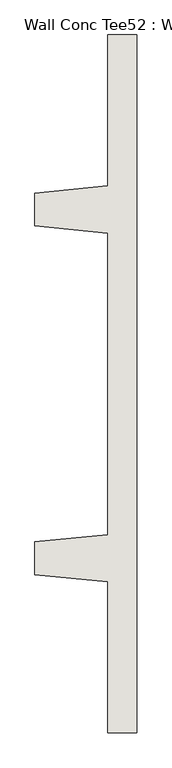
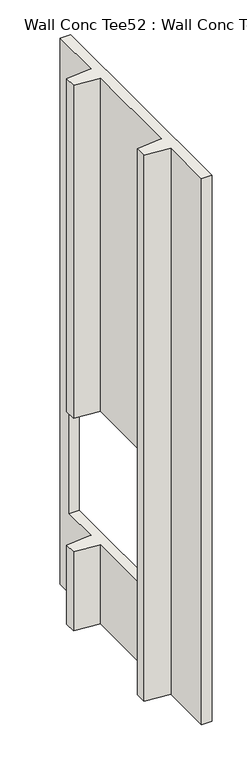
"""IFC4 building model written with IfcOpenShell, lengths in millimetres: wall geometry, Wall Conc Tee52 : Wall Conc Tee."""

import ifcopenshell
import ifcopenshell.guid

model = None  # the IFC model being written
_history = None  # IfcOwnerHistory: only IFC2X3 demands one
_inside = {}  # id of a spatial element -> (the spatial element, [elements in it])
_under = {}  # id of a project, library or spatial element -> (it, [spatial elements below it])
_declared = {}  # id of a project -> (the project, [libraries it declares])
_typed = {}  # id of a type object -> (the type object, [elements of that type])
_made_of = {}  # id of a material, layer set ... -> (it, [elements and type objects made of it])


def new_model(schema):
    """Start an empty IFC model of exactly this schema.

    Asked for "IFC4X3", IfcOpenShell would pick the latest addendum, in which some entities
    have other attributes; the version numbers below select the first issue.
    IFC2X3 requires an IfcOwnerHistory on every rooted entity: one is made here for all.
    """
    global model, _history
    if schema == "IFC4X3":
        model = ifcopenshell.file(schema_version=(4, 3, 0, 0))
    else:
        model = ifcopenshell.file(schema=schema)
    _inside.clear()
    _under.clear()
    _declared.clear()
    _typed.clear()
    _made_of.clear()
    _history = None
    if model.schema == "IFC2X3":
        org = make("IfcOrganization", Name="unknown")
        user = make(
            "IfcPersonAndOrganization",
            ThePerson=make("IfcPerson", FamilyName="unknown"),
            TheOrganization=org,
        )
        app = make(
            "IfcApplication",
            ApplicationDeveloper=org,
            Version="unknown",
            ApplicationFullName="unknown",
            ApplicationIdentifier="unknown",
        )
        _history = make(
            "IfcOwnerHistory",
            OwningUser=user,
            OwningApplication=app,
            ChangeAction="ADDED",
            CreationDate=0,
        )
    return model


def make(cls, **values):
    """One entity of the class cls with the attributes given. An attribute that is None is left unset."""
    return model.create_entity(
        cls, **{name: value for name, value in values.items() if value is not None}
    )


def rooted(cls, **values):
    """An entity with a GlobalId (a new one), such as an element, a storey or a relation."""
    return make(cls, GlobalId=ifcopenshell.guid.new(), OwnerHistory=_history, **values)


def si_unit(unit_type, name, prefix=None):
    """IfcSIUnit, for example si_unit("LENGTHUNIT", "METRE", prefix="MILLI")."""
    return make("IfcSIUnit", UnitType=unit_type, Prefix=prefix, Name=name)


def assignment(units):
    """IfcUnitAssignment: the units of a project."""
    return None if units is None else make("IfcUnitAssignment", Units=units)


def point(xyz):
    """IfcCartesianPoint."""
    return None if xyz is None else make("IfcCartesianPoint", Coordinates=xyz)


def direction(xyz):
    """IfcDirection."""
    return None if xyz is None else make("IfcDirection", DirectionRatios=xyz)


def frame(location, z_axis=None, x_axis=None):
    """IfcAxis2Placement3D, a coordinate frame: its origin and axes. An axis left out is left unset."""
    return make(
        "IfcAxis2Placement3D",
        Location=point(location),
        Axis=direction(z_axis),
        RefDirection=direction(x_axis),
    )


def origin():
    """The frame at (0, 0, 0) with its axes left unset."""
    return frame((0.0, 0.0, 0.0))


def place(relative_to, where):
    """IfcLocalPlacement: puts the frame where relative to a parent placement (None: the world)."""
    return make(
        "IfcLocalPlacement", PlacementRelTo=relative_to, RelativePlacement=where
    )


def context(
    kind, dimensions, precision=None, world=None, true_north=None, identifier=None
):
    """IfcGeometricRepresentationContext, for example the 3D "Model" context."""
    return make(
        "IfcGeometricRepresentationContext",
        ContextIdentifier=identifier,
        ContextType=kind,
        CoordinateSpaceDimension=dimensions,
        Precision=precision,
        WorldCoordinateSystem=world,
        TrueNorth=true_north,
    )


def project(units=None, contexts=None):
    """IfcProject with its units and contexts."""
    return rooted(
        "IfcProject",
        Name="project",
        RepresentationContexts=contexts,
        UnitsInContext=assignment(units),
    )


def spatial(cls, under=None, at=None, **own):
    """A site, building, storey or space (cls), placed at a placement, below another one or the project."""
    s = rooted(cls, ObjectPlacement=at, **own)
    if under is not None:
        _under.setdefault(under.id(), (under, []))[1].append(s)
    return s


def faces_of(points, faces, orient=None, outer=None):
    """IfcFace entities. A face is a list of loops; a loop is a list of indices into points, from 0.

    orient and outer hold one flag for each loop. By default every Orientation is true, the
    first loop of a face is its IfcFaceOuterBound and the others are IfcFaceBound.
    """
    made = []
    for i, loops in enumerate(faces):
        bounds = []
        for j, loop in enumerate(loops):
            is_outer = j == 0 if outer is None else outer[i][j]
            bounds.append(
                make(
                    "IfcFaceOuterBound" if is_outer else "IfcFaceBound",
                    Bound=make("IfcPolyLoop", Polygon=[points[k] for k in loop]),
                    Orientation=True if orient is None else orient[i][j],
                )
            )
        made.append(make("IfcFace", Bounds=bounds))
    return made


def faceted_brep(points, faces, orient=None, outer=None, voids=None):
    """IfcFacetedBrep: a solid bounded by flat faces; with voids (closed shells), ...WithVoids."""
    shared = [point(p) for p in points]
    hull = make("IfcClosedShell", CfsFaces=faces_of(shared, faces, orient, outer))
    if voids is None:
        return make("IfcFacetedBrep", Outer=hull)
    return make(
        "IfcFacetedBrepWithVoids",
        Outer=hull,
        Voids=[
            make(cls, CfsFaces=faces_of(shared, fs, o, b)) for cls, fs, o, b in voids
        ],
    )


def shape(context_of_items, identifier, shape_type, items):
    """IfcShapeRepresentation: the items that make up one representation, for example the "Body"."""
    return make(
        "IfcShapeRepresentation",
        ContextOfItems=context_of_items,
        RepresentationIdentifier=identifier,
        RepresentationType=shape_type,
        Items=items,
    )


def source(mapping_origin, context_of_items, identifier, shape_type, items):
    """IfcRepresentationMap: a shape defined once, which mapped items show again and again."""
    return make(
        "IfcRepresentationMap",
        MappingOrigin=mapping_origin,
        MappedRepresentation=shape(context_of_items, identifier, shape_type, items),
    )


def transform(
    local_origin,
    x_axis=None,
    y_axis=None,
    z_axis=None,
    scale=None,
    scale2=None,
    scale3=None,
    uniform=True,
):
    """IfcCartesianTransformationOperator3D, or its non-uniform kind. x_axis, y_axis, z_axis: its Axis1, 2, 3."""
    if uniform:
        return make(
            "IfcCartesianTransformationOperator3D",
            Axis1=direction(x_axis),
            Axis2=direction(y_axis),
            LocalOrigin=point(local_origin),
            Scale=scale,
            Axis3=direction(z_axis),
        )
    return make(
        "IfcCartesianTransformationOperator3DnonUniform",
        Axis1=direction(x_axis),
        Axis2=direction(y_axis),
        LocalOrigin=point(local_origin),
        Scale=scale,
        Axis3=direction(z_axis),
        Scale2=scale2,
        Scale3=scale3,
    )


def mapped(mapping_source, mapping_target):
    """IfcMappedItem: shows the shape of a source again, moved by a transform."""
    return make(
        "IfcMappedItem", MappingSource=mapping_source, MappingTarget=mapping_target
    )


def made_of(thing, what):
    """Note that an element or type object is made of a material, layer set ...; save() writes the relation."""
    if what is not None:
        _made_of.setdefault(what.id(), (what, []))[1].append(thing)
    return thing


def element(
    cls,
    number,
    at=None,
    inside=None,
    cuts=None,
    type_object=None,
    material=None,
    context=None,
    identifier="Body",
    shape_type=None,
    held_by="IfcProductDefinitionShape",
    body=None,
    shapes=None,
    **own,
):
    """One element of the class cls, such as IfcWall. Its Tag is "e" and its number.

    at: its placement. inside: the storey or other place that contains it. cuts: it is an
    opening in that element (IfcRelVoidsElement). A single representation is given by context,
    identifier, shape_type and body (its items); several are given by shapes. held_by: the class
    of the entity that holds the representations. save() writes the other relations.
    """
    e = rooted(cls, Tag="e%d" % number, ObjectPlacement=at, **own)
    if body is not None:
        shapes = [shape(context, identifier, shape_type, body)]
    if shapes is not None:
        e.Representation = make(held_by, Representations=shapes)
    if inside is not None:
        _inside.setdefault(inside.id(), (inside, []))[1].append(e)
    if cuts is not None:
        rooted(
            "IfcRelVoidsElement", RelatingBuildingElement=cuts, RelatedOpeningElement=e
        )
    if type_object is not None:
        _typed.setdefault(type_object.id(), (type_object, []))[1].append(e)
    return made_of(e, material)


def aggregate(whole, parts):
    """IfcRelAggregates: a whole, such as a stair, and the parts it consists of."""
    return rooted("IfcRelAggregates", RelatingObject=whole, RelatedObjects=parts)


def save(model, path):
    """Write the relations noted so far, then the file.

    IfcRelAggregates (storeys below a building ...), IfcRelContainedInSpatialStructure (elements
    in a storey), IfcRelDefinesByType, IfcRelAssociatesMaterial and IfcRelDeclares: one each for
    every whole, place, type object, material and project.
    """
    for whole, parts in _under.values():
        aggregate(whole, parts)
    for where, things in _inside.values():
        rooted(
            "IfcRelContainedInSpatialStructure",
            RelatedElements=things,
            RelatingStructure=where,
        )
    for kind, things in _typed.values():
        rooted("IfcRelDefinesByType", RelatedObjects=things, RelatingType=kind)
    for what, things in _made_of.values():
        rooted("IfcRelAssociatesMaterial", RelatedObjects=things, RelatingMaterial=what)
    for by, libraries in _declared.values():
        rooted("IfcRelDeclares", RelatingContext=by, RelatedDefinitions=libraries)
    model.write(path)


def wall_conc_tee52_wall_conc_tee_612de9ac(model_context):
    return source(origin(), model_context, "Body", "Brep", [
        faceted_brep([(204051.6728488, 175451.2596581, 5884.1592564), (204051.6728488, 177889.6596581, 5884.1592564), (203950.0728488, 177889.6596581, 5884.1592564), (203950.0728488, 177362.6096581, 5884.1592564), (203696.0728488, 177337.2096581, 5884.1592564), (203696.0728488, 177222.9096581, 5884.1592564), (203950.0728488, 177197.5096581, 5884.1592564), (203950.0728488, 176143.4096581, 5884.1592564), (203696.0728488, 176118.0096581, 5884.1592564), (203696.0728488, 176003.7096581, 5884.1592564), (203950.0728488, 175978.3096581, 5884.1592564), (203950.0728488, 175451.2596581, 5884.1592564), (204051.6728488, 175451.2596581, 143.7592564), (203950.0728488, 175451.2596581, 143.7592564), (203950.0728488, 175978.3096581, 143.7592564), (203696.0728488, 176003.7096581, 143.7592564), (203696.0728488, 176118.0096581, 143.7592564), (203950.0728488, 176143.4096581, 143.7592564), (203950.0728488, 177197.5096581, 143.7592564), (203696.0728488, 177222.9096581, 143.7592564), (203696.0728488, 177337.2096581, 143.7592564), (203950.0728488, 177362.6096581, 143.7592564), (203950.0728488, 177889.6596581, 143.7592564), (204051.6728488, 177889.6596581, 143.7592564), (204051.6728488, 176213.2596581, 2379.1693292), (204051.6728488, 177737.2596581, 2379.1693292), (204051.6728488, 177737.2596581, 2378.9592564), (204051.6728488, 177737.2596581, 975.6104245), (204051.6728488, 176213.2596581, 975.6104245), (204051.6728488, 176213.2596581, 2378.9592564), (203950.0728488, 177362.6096581, 975.6104245), (203950.0728488, 177737.2596581, 975.6104245), (203950.0728488, 177737.2596581, 2378.9592564), (203950.0728488, 177737.2596581, 2379.1693292), (203950.0728488, 177362.6096581, 2379.1693292), (203696.0728488, 177337.2096581, 2379.1693292), (203696.0728488, 177337.2096581, 975.6104245), (203935.8488488, 177361.1872581, 975.6104245), (203696.0728488, 177222.9096581, 2379.1693292), (203696.0728488, 177222.9096581, 975.6104245), (203950.0728488, 177197.5096581, 2379.1693292), (203950.0728488, 177197.5096581, 975.6104245), (203935.8488488, 177198.9320581, 975.6104245), (203950.0728488, 176213.2596581, 2379.1693292), (203950.0728488, 176213.2596581, 2378.9592564), (203950.0728488, 176213.2596581, 975.6104245)], [[[0, 1, 2, 3, 4, 5, 6, 7, 8, 9, 10, 11]], [[12, 13, 14, 15, 16, 17, 18, 19, 20, 21, 22, 23]], [[1, 0, 12, 23], [24, 25, 26, 27, 28, 29]], [[2, 1, 23, 22]], [[3, 2, 22, 21, 30, 31, 32, 33, 34]], [[4, 3, 34, 35]], [[21, 20, 36, 37, 30]], [[5, 4, 35, 38]], [[20, 19, 39, 36]], [[6, 5, 38, 40]], [[19, 18, 41, 42, 39]], [[7, 6, 40, 43, 44, 45, 41, 18, 17]], [[8, 7, 17, 16]], [[9, 8, 16, 15]], [[10, 9, 15, 14]], [[11, 10, 14, 13]], [[0, 11, 13, 12]], [[25, 24, 43, 40, 38, 35, 34, 33]], [[28, 27, 31, 30, 37, 36, 39, 42, 41, 45]], [[25, 33, 32, 31, 27, 26]], [[43, 24, 29, 28, 45, 44]]]),
    ])


if __name__ == "__main__":
    model = new_model("IFC4")
    model_context = context("Model", 3, world=origin())
    ifc_project = project(units=[si_unit("LENGTHUNIT", "METRE", prefix="MILLI")], contexts=[model_context])
    site = spatial("IfcSite", under=ifc_project)
    building = spatial("IfcBuilding", under=site)
    placement = place(None, origin())
    wall_conc_tee52_wall_conc_tee_shape = wall_conc_tee52_wall_conc_tee_612de9ac(model_context)
    element("IfcWall", 1, ObjectType="Wall Conc Tee52 : Wall Conc Tee", at=placement, inside=building, context=model_context, shape_type="MappedRepresentation", body=[
        mapped(wall_conc_tee52_wall_conc_tee_shape, transform((0.0, 0.0, 0.0), x_axis=(1.0, 0.0, 0.0), y_axis=(0.0, 1.0, 0.0), z_axis=(0.0, 0.0, 1.0))),
    ])
    save(model, "model.ifc")
